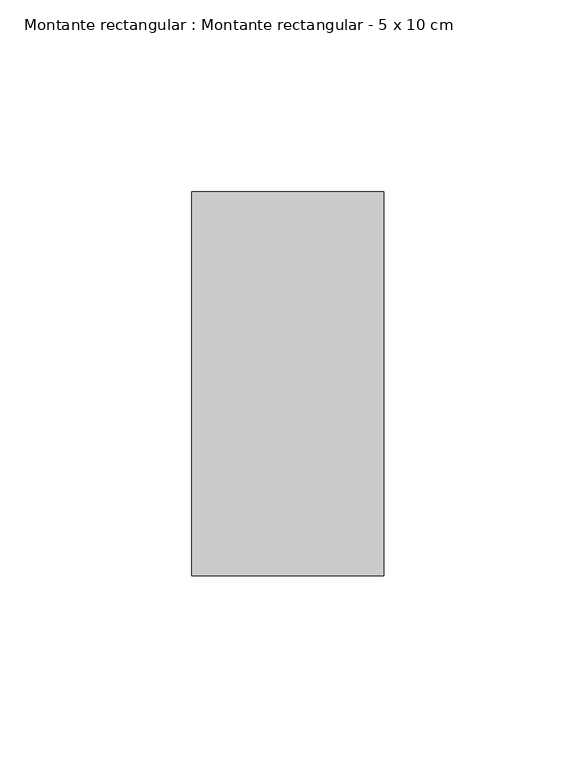
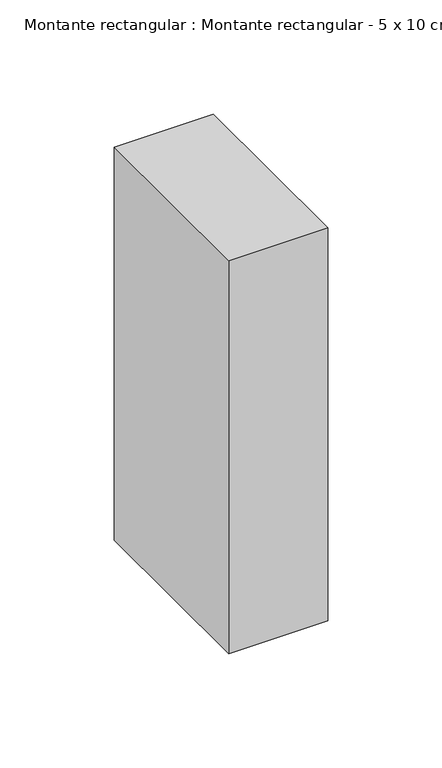
"""IFC4 building model written with IfcOpenShell, lengths in millimetres: member geometry, Montante rectangular : Montante rectangular - 5 x 10 cm."""

from ifc_helpers import new_model, si_unit, frame, origin, place, context, project, spatial, polyline, outline, extrude, source, transform, mapped, element, save


def montante_rectangular_montante_rectangular_5_x_10_cm_8d6c7a46(model_context):
    return source(origin(), model_context, "Body", "SweptSolid", [
        extrude(outline(polyline([(0.0, 50.0), (0.0, -50.0), (-50.0, -50.0), (-50.0, 50.0), (0.0, 50.0)])), frame((0.0, 0.0, -210.0), z_axis=(0.0, 0.0, 1.0), x_axis=(1.0, 0.0, 0.0)), (0.0, 0.0, 1.0), 210.0),
    ])


if __name__ == "__main__":
    model = new_model("IFC4")
    model_context = context("Model", 3, world=origin())
    ifc_project = project(units=[si_unit("LENGTHUNIT", "METRE", prefix="MILLI")], contexts=[model_context])
    site = spatial("IfcSite", under=ifc_project)
    building = spatial("IfcBuilding", under=site)
    placement = place(None, origin())
    montante_rectangular_montante_rectangular_5_x_10_cm_shape = montante_rectangular_montante_rectangular_5_x_10_cm_8d6c7a46(model_context)
    element("IfcMember", 1, ObjectType="Montante rectangular : Montante rectangular - 5 x 10 cm", at=placement, inside=building, context=model_context, shape_type="MappedRepresentation", body=[
        mapped(montante_rectangular_montante_rectangular_5_x_10_cm_shape, transform((0.0, 0.0, 0.0), x_axis=(1.0, 0.0, 0.0), y_axis=(0.0, 1.0, 0.0), z_axis=(0.0, 0.0, 1.0))),
    ])
    save(model, "model.ifc")
